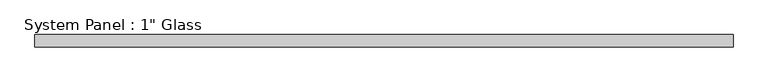
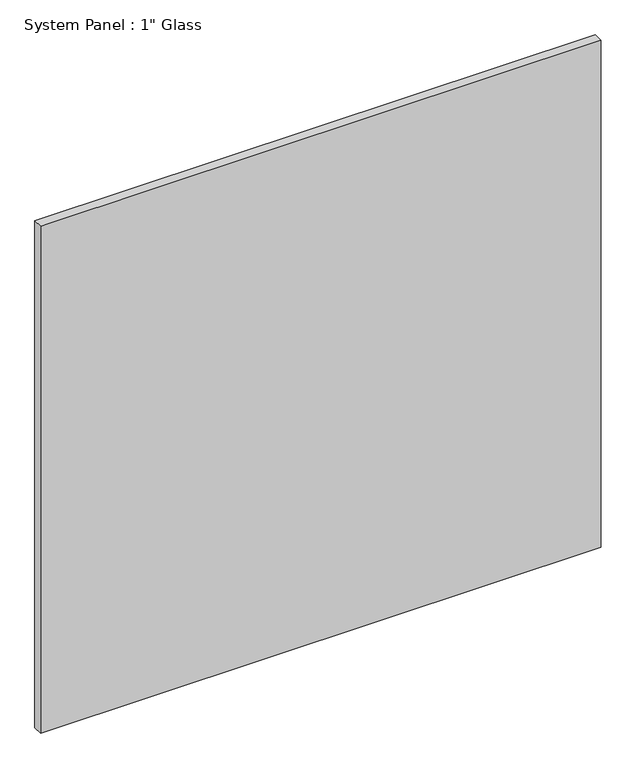
"""IFC4 building model written with IfcOpenShell, lengths in millimetres: plate geometry."""

import ifcopenshell
import ifcopenshell.guid

model = None  # the IFC model being written
_history = None  # IfcOwnerHistory: only IFC2X3 demands one
_inside = {}  # id of a spatial element -> (the spatial element, [elements in it])
_under = {}  # id of a project, library or spatial element -> (it, [spatial elements below it])
_declared = {}  # id of a project -> (the project, [libraries it declares])
_typed = {}  # id of a type object -> (the type object, [elements of that type])
_made_of = {}  # id of a material, layer set ... -> (it, [elements and type objects made of it])


def new_model(schema):
    """Start an empty IFC model of exactly this schema.

    Asked for "IFC4X3", IfcOpenShell would pick the latest addendum, in which some entities
    have other attributes; the version numbers below select the first issue.
    IFC2X3 requires an IfcOwnerHistory on every rooted entity: one is made here for all.
    """
    global model, _history
    if schema == "IFC4X3":
        model = ifcopenshell.file(schema_version=(4, 3, 0, 0))
    else:
        model = ifcopenshell.file(schema=schema)
    _inside.clear()
    _under.clear()
    _declared.clear()
    _typed.clear()
    _made_of.clear()
    _history = None
    if model.schema == "IFC2X3":
        org = make("IfcOrganization", Name="unknown")
        user = make(
            "IfcPersonAndOrganization",
            ThePerson=make("IfcPerson", FamilyName="unknown"),
            TheOrganization=org,
        )
        app = make(
            "IfcApplication",
            ApplicationDeveloper=org,
            Version="unknown",
            ApplicationFullName="unknown",
            ApplicationIdentifier="unknown",
        )
        _history = make(
            "IfcOwnerHistory",
            OwningUser=user,
            OwningApplication=app,
            ChangeAction="ADDED",
            CreationDate=0,
        )
    return model


def make(cls, **values):
    """One entity of the class cls with the attributes given. An attribute that is None is left unset."""
    return model.create_entity(
        cls, **{name: value for name, value in values.items() if value is not None}
    )


def rooted(cls, **values):
    """An entity with a GlobalId (a new one), such as an element, a storey or a relation."""
    return make(cls, GlobalId=ifcopenshell.guid.new(), OwnerHistory=_history, **values)


def si_unit(unit_type, name, prefix=None):
    """IfcSIUnit, for example si_unit("LENGTHUNIT", "METRE", prefix="MILLI")."""
    return make("IfcSIUnit", UnitType=unit_type, Prefix=prefix, Name=name)


def assignment(units):
    """IfcUnitAssignment: the units of a project."""
    return None if units is None else make("IfcUnitAssignment", Units=units)


def point(xyz):
    """IfcCartesianPoint."""
    return None if xyz is None else make("IfcCartesianPoint", Coordinates=xyz)


def direction(xyz):
    """IfcDirection."""
    return None if xyz is None else make("IfcDirection", DirectionRatios=xyz)


def frame(location, z_axis=None, x_axis=None):
    """IfcAxis2Placement3D, a coordinate frame: its origin and axes. An axis left out is left unset."""
    return make(
        "IfcAxis2Placement3D",
        Location=point(location),
        Axis=direction(z_axis),
        RefDirection=direction(x_axis),
    )


def origin():
    """The frame at (0, 0, 0) with its axes left unset."""
    return frame((0.0, 0.0, 0.0))


def origin_with_axes():
    """The frame at (0, 0, 0) with the z axis (0, 0, 1) and the x axis (1, 0, 0) written out."""
    return frame((0.0, 0.0, 0.0), z_axis=(0.0, 0.0, 1.0), x_axis=(1.0, 0.0, 0.0))


def place(relative_to, where):
    """IfcLocalPlacement: puts the frame where relative to a parent placement (None: the world)."""
    return make(
        "IfcLocalPlacement", PlacementRelTo=relative_to, RelativePlacement=where
    )


def context(
    kind, dimensions, precision=None, world=None, true_north=None, identifier=None
):
    """IfcGeometricRepresentationContext, for example the 3D "Model" context."""
    return make(
        "IfcGeometricRepresentationContext",
        ContextIdentifier=identifier,
        ContextType=kind,
        CoordinateSpaceDimension=dimensions,
        Precision=precision,
        WorldCoordinateSystem=world,
        TrueNorth=true_north,
    )


def project(units=None, contexts=None):
    """IfcProject with its units and contexts."""
    return rooted(
        "IfcProject",
        Name="project",
        RepresentationContexts=contexts,
        UnitsInContext=assignment(units),
    )


def spatial(cls, under=None, at=None, **own):
    """A site, building, storey or space (cls), placed at a placement, below another one or the project."""
    s = rooted(cls, ObjectPlacement=at, **own)
    if under is not None:
        _under.setdefault(under.id(), (under, []))[1].append(s)
    return s


def polyline(points):
    """IfcPolyline through the points."""
    return make("IfcPolyline", Points=[point(p) for p in points])


def outline(outer, holes=None, kind="AREA"):
    """IfcArbitraryClosedProfileDef: a profile drawn as a closed curve; with holes, ...WithVoids."""
    if holes is None:
        return make("IfcArbitraryClosedProfileDef", ProfileType=kind, OuterCurve=outer)
    return make(
        "IfcArbitraryProfileDefWithVoids",
        ProfileType=kind,
        OuterCurve=outer,
        InnerCurves=holes,
    )


def extrude(swept, where, along, depth):
    """IfcExtrudedAreaSolid: the profile swept, set in the frame where, extruded along a direction by depth."""
    return make(
        "IfcExtrudedAreaSolid",
        SweptArea=swept,
        Position=where,
        ExtrudedDirection=direction(along),
        Depth=depth,
    )


def shape(context_of_items, identifier, shape_type, items):
    """IfcShapeRepresentation: the items that make up one representation, for example the "Body"."""
    return make(
        "IfcShapeRepresentation",
        ContextOfItems=context_of_items,
        RepresentationIdentifier=identifier,
        RepresentationType=shape_type,
        Items=items,
    )


def source(mapping_origin, context_of_items, identifier, shape_type, items):
    """IfcRepresentationMap: a shape defined once, which mapped items show again and again."""
    return make(
        "IfcRepresentationMap",
        MappingOrigin=mapping_origin,
        MappedRepresentation=shape(context_of_items, identifier, shape_type, items),
    )


def transform(
    local_origin,
    x_axis=None,
    y_axis=None,
    z_axis=None,
    scale=None,
    scale2=None,
    scale3=None,
    uniform=True,
):
    """IfcCartesianTransformationOperator3D, or its non-uniform kind. x_axis, y_axis, z_axis: its Axis1, 2, 3."""
    if uniform:
        return make(
            "IfcCartesianTransformationOperator3D",
            Axis1=direction(x_axis),
            Axis2=direction(y_axis),
            LocalOrigin=point(local_origin),
            Scale=scale,
            Axis3=direction(z_axis),
        )
    return make(
        "IfcCartesianTransformationOperator3DnonUniform",
        Axis1=direction(x_axis),
        Axis2=direction(y_axis),
        LocalOrigin=point(local_origin),
        Scale=scale,
        Axis3=direction(z_axis),
        Scale2=scale2,
        Scale3=scale3,
    )


def mapped(mapping_source, mapping_target):
    """IfcMappedItem: shows the shape of a source again, moved by a transform."""
    return make(
        "IfcMappedItem", MappingSource=mapping_source, MappingTarget=mapping_target
    )


def made_of(thing, what):
    """Note that an element or type object is made of a material, layer set ...; save() writes the relation."""
    if what is not None:
        _made_of.setdefault(what.id(), (what, []))[1].append(thing)
    return thing


def element(
    cls,
    number,
    at=None,
    inside=None,
    cuts=None,
    type_object=None,
    material=None,
    context=None,
    identifier="Body",
    shape_type=None,
    held_by="IfcProductDefinitionShape",
    body=None,
    shapes=None,
    **own,
):
    """One element of the class cls, such as IfcWall. Its Tag is "e" and its number.

    at: its placement. inside: the storey or other place that contains it. cuts: it is an
    opening in that element (IfcRelVoidsElement). A single representation is given by context,
    identifier, shape_type and body (its items); several are given by shapes. held_by: the class
    of the entity that holds the representations. save() writes the other relations.
    """
    e = rooted(cls, Tag="e%d" % number, ObjectPlacement=at, **own)
    if body is not None:
        shapes = [shape(context, identifier, shape_type, body)]
    if shapes is not None:
        e.Representation = make(held_by, Representations=shapes)
    if inside is not None:
        _inside.setdefault(inside.id(), (inside, []))[1].append(e)
    if cuts is not None:
        rooted(
            "IfcRelVoidsElement", RelatingBuildingElement=cuts, RelatedOpeningElement=e
        )
    if type_object is not None:
        _typed.setdefault(type_object.id(), (type_object, []))[1].append(e)
    return made_of(e, material)


def aggregate(whole, parts):
    """IfcRelAggregates: a whole, such as a stair, and the parts it consists of."""
    return rooted("IfcRelAggregates", RelatingObject=whole, RelatedObjects=parts)


def save(model, path):
    """Write the relations noted so far, then the file.

    IfcRelAggregates (storeys below a building ...), IfcRelContainedInSpatialStructure (elements
    in a storey), IfcRelDefinesByType, IfcRelAssociatesMaterial and IfcRelDeclares: one each for
    every whole, place, type object, material and project.
    """
    for whole, parts in _under.values():
        aggregate(whole, parts)
    for where, things in _inside.values():
        rooted(
            "IfcRelContainedInSpatialStructure",
            RelatedElements=things,
            RelatingStructure=where,
        )
    for kind, things in _typed.values():
        rooted("IfcRelDefinesByType", RelatedObjects=things, RelatingType=kind)
    for what, things in _made_of.values():
        rooted("IfcRelAssociatesMaterial", RelatedObjects=things, RelatingMaterial=what)
    for by, libraries in _declared.values():
        rooted("IfcRelDeclares", RelatingContext=by, RelatedDefinitions=libraries)
    model.write(path)


def plate_01bc0e21(model_context):
    return source(origin(), model_context, "Body", "SweptSolid", [
        extrude(outline(polyline([(731.2586839, -12.7), (-731.2586839, -12.7), (-731.2586839, 12.7), (731.2586839, 12.7), (731.2586839, -12.7)])), origin_with_axes(), (0.0, 0.0, 1.0), 1397.5261731),
    ])


if __name__ == "__main__":
    model = new_model("IFC4")
    model_context = context("Model", 3, world=origin())
    ifc_project = project(units=[si_unit("LENGTHUNIT", "METRE", prefix="MILLI")], contexts=[model_context])
    site = spatial("IfcSite", under=ifc_project)
    building = spatial("IfcBuilding", under=site)
    placement = place(None, origin())
    plate_shape = plate_01bc0e21(model_context)
    element("IfcPlate", 1, ObjectType="System Panel : 1\" Glass", at=placement, inside=building, context=model_context, shape_type="MappedRepresentation", body=[
        mapped(plate_shape, transform((0.0, 0.0, 0.0), x_axis=(1.0, 0.0, 0.0), y_axis=(0.0, 1.0, 0.0), z_axis=(0.0, 0.0, 1.0))),
    ])
    save(model, "model.ifc")
